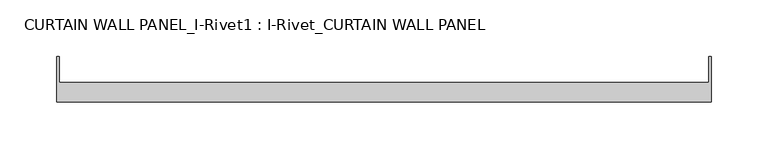
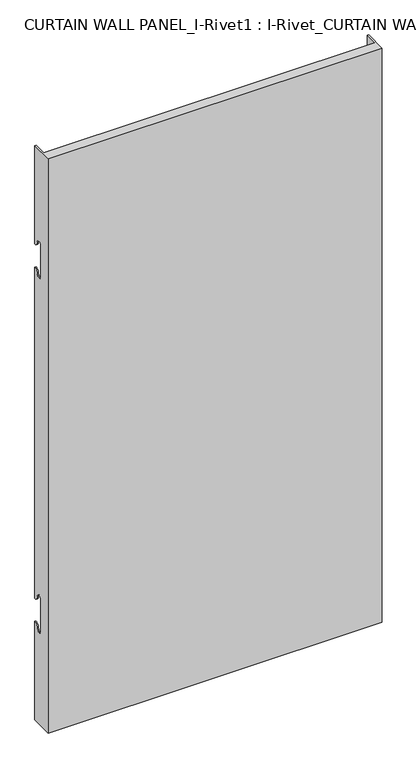
"""IFC4 building model written with IfcOpenShell, lengths in millimetres: plate geometry, CURTAIN WALL PANEL_I-Rivet1 : I-Rivet_CURTAIN WALL PANEL."""

from ifc_helpers import new_model, si_unit, frame, origin, place, context, project, spatial, polyline, circle_curve, source, transform, mapped, element, save
from ifc_brep_helpers import plane_surface, cylinder_surface, revolved_surface, advanced_brep


def curtain_wall_panel_i_rivet1_i_rivet_curtain_wall_panel_d8e408d1(model_context):
    return source(origin(), model_context, "Body", "AdvancedBrep", [
        advanced_brep(
        [(-287.5, -85.0, 1045.0), (287.5, -85.0, 1045.0), (287.5, -45.3384103, 1045.0), (285.5, -45.3384103, 1045.0), (285.5, -68.0, 1045.0), (-285.5, -68.0, 1045.0), (-285.5, -45.3384103, 1045.0), (-287.5, -45.3384103, 1045.0), (-287.5, -85.0, 0.0), (-287.5, -45.3384103, 0.0), (-285.5, -45.3384103, 0.0), (-285.5, -68.0, 0.0), (285.5, -68.0, 0.0), (285.5, -45.3384103, 0.0), (287.5, -45.3384103, 0.0), (287.5, -85.0, 0.0), (-287.5, -45.3384103, 866.0), (-287.5, -52.3384103, 873.0), (-287.5, -63.3384103, 873.0), (-287.5, -63.3384103, 817.0), (-287.5, -52.3384103, 817.0), (-287.5, -45.3384103, 824.0), (-287.5, -45.3384103, 221.0), (-287.5, -52.3384103, 228.0), (-287.5, -63.3384103, 228.0), (-287.5, -63.3384103, 172.0), (-287.5, -52.3384103, 172.0), (-287.5, -45.3384103, 179.0), (-285.5, -45.3384103, 179.0), (-285.5, -45.3384103, 824.0), (-285.5, -45.3384103, 221.0), (-285.5, -45.3384103, 866.0), (287.5, -45.3384103, 866.0), (285.5, -45.3384103, 866.0), (285.5, -45.3384103, 179.0), (287.5, -45.3384103, 179.0), (285.5, -45.3384103, 221.0), (285.5, -45.3384103, 824.0), (287.5, -45.3384103, 824.0), (287.5, -45.3384103, 221.0), (287.5, -52.3384103, 172.0), (287.5, -63.3384103, 172.0), (287.5, -63.3384103, 228.0), (287.5, -52.3384103, 228.0), (287.5, -52.3384103, 817.0), (287.5, -63.3384103, 817.0), (287.5, -63.3384103, 873.0), (287.5, -52.3384103, 873.0), (-285.5, -52.3384103, 172.0), (-285.5, -63.3384103, 172.0), (-285.5, -63.3384103, 228.0), (-285.5, -52.3384103, 228.0), (-285.5, -52.3384103, 817.0), (-285.5, -63.3384103, 817.0), (-285.5, -63.3384103, 873.0), (-285.5, -52.3384103, 873.0), (285.5, -52.3384103, 873.0), (285.5, -63.3384103, 873.0), (285.5, -63.3384103, 817.0), (285.5, -52.3384103, 817.0), (285.5, -52.3384103, 228.0), (285.5, -63.3384103, 228.0), (285.5, -63.3384103, 172.0), (285.5, -52.3384103, 172.0)],
        [
            (0, 1),
            (1, 2),
            (2, 3),
            (3, 4),
            (4, 5),
            (5, 6),
            (6, 7),
            (7, 0),
            (8, 9),
            (9, 10),
            (10, 11),
            (11, 12),
            (12, 13),
            (13, 14),
            (14, 15),
            (15, 8),
            (7, 16),
            (16, 17, circle_curve(frame((-287.5, -45.3384103, 873.0), z_axis=(-1.0, 0.0, 0.0), x_axis=(0.0, -1.0, 0.0)), 7.0)),
            (17, 18, circle_curve(frame((-287.5, -57.8384103, 873.0), z_axis=(1.0, 0.0, 0.0), x_axis=(0.0, -1.0, 0.0)), 5.5)),
            (18, 19),
            (19, 20, circle_curve(frame((-287.5, -57.8384103, 817.0), z_axis=(1.0, 0.0, 0.0), x_axis=(0.0, -1.0, 0.0)), 5.5)),
            (20, 21, circle_curve(frame((-287.5, -45.3384103, 817.0), z_axis=(-1.0, 0.0, 0.0), x_axis=(0.0, -1.0, 0.0)), 7.0)),
            (21, 22),
            (22, 23, circle_curve(frame((-287.5, -45.3384103, 228.0), z_axis=(-1.0, 0.0, 0.0), x_axis=(0.0, -1.0, 0.0)), 7.0)),
            (23, 24, circle_curve(frame((-287.5, -57.8384103, 228.0), z_axis=(1.0, 0.0, 0.0), x_axis=(0.0, -1.0, 0.0)), 5.5)),
            (24, 25),
            (25, 26, circle_curve(frame((-287.5, -57.8384103, 172.0), z_axis=(1.0, 0.0, 0.0), x_axis=(0.0, -1.0, 0.0)), 5.5)),
            (26, 27, circle_curve(frame((-287.5, -45.3384103, 172.0), z_axis=(-1.0, 0.0, 0.0), x_axis=(0.0, -1.0, 0.0)), 7.0)),
            (27, 9),
            (8, 0),
            (27, 28),
            (28, 10),
            (21, 29),
            (29, 30),
            (30, 22),
            (6, 31),
            (31, 16),
            (2, 32),
            (32, 33),
            (33, 3),
            (13, 34),
            (34, 35),
            (35, 14),
            (36, 37),
            (37, 38),
            (38, 39),
            (39, 36),
            (1, 15),
            (35, 40, circle_curve(frame((287.5, -45.3384103, 172.0), z_axis=(1.0, 0.0, 0.0), x_axis=(0.0, -1.0, 0.0)), 7.0)),
            (40, 41, circle_curve(frame((287.5, -57.8384103, 172.0), z_axis=(-1.0, 0.0, 0.0), x_axis=(0.0, -1.0, 0.0)), 5.5)),
            (41, 42),
            (42, 43, circle_curve(frame((287.5, -57.8384103, 228.0), z_axis=(-1.0, 0.0, 0.0), x_axis=(0.0, -1.0, 0.0)), 5.5)),
            (43, 39, circle_curve(frame((287.5, -45.3384103, 228.0), z_axis=(1.0, 0.0, 0.0), x_axis=(0.0, -1.0, 0.0)), 7.0)),
            (38, 44, circle_curve(frame((287.5, -45.3384103, 817.0), z_axis=(1.0, 0.0, 0.0), x_axis=(0.0, -1.0, 0.0)), 7.0)),
            (44, 45, circle_curve(frame((287.5, -57.8384103, 817.0), z_axis=(-1.0, 0.0, 0.0), x_axis=(0.0, -1.0, 0.0)), 5.5)),
            (45, 46),
            (46, 47, circle_curve(frame((287.5, -57.8384103, 873.0), z_axis=(-1.0, 0.0, 0.0), x_axis=(0.0, -1.0, 0.0)), 5.5)),
            (47, 32, circle_curve(frame((287.5, -45.3384103, 873.0), z_axis=(1.0, 0.0, 0.0), x_axis=(0.0, -1.0, 0.0)), 7.0)),
            (5, 11),
            (28, 48, circle_curve(frame((-285.5, -45.3384103, 172.0), z_axis=(1.0, 0.0, 0.0), x_axis=(0.0, -1.0, 0.0)), 7.0)),
            (48, 49, circle_curve(frame((-285.5, -57.8384103, 172.0), z_axis=(-1.0, 0.0, 0.0), x_axis=(0.0, -1.0, 0.0)), 5.5)),
            (49, 50),
            (50, 51, circle_curve(frame((-285.5, -57.8384103, 228.0), z_axis=(-1.0, 0.0, 0.0), x_axis=(0.0, -1.0, 0.0)), 5.5)),
            (51, 30, circle_curve(frame((-285.5, -45.3384103, 228.0), z_axis=(1.0, 0.0, 0.0), x_axis=(0.0, -1.0, 0.0)), 7.0)),
            (29, 52, circle_curve(frame((-285.5, -45.3384103, 817.0), z_axis=(1.0, 0.0, 0.0), x_axis=(0.0, -1.0, 0.0)), 7.0)),
            (52, 53, circle_curve(frame((-285.5, -57.8384103, 817.0), z_axis=(-1.0, 0.0, 0.0), x_axis=(0.0, -1.0, 0.0)), 5.5)),
            (53, 54),
            (54, 55, circle_curve(frame((-285.5, -57.8384103, 873.0), z_axis=(-1.0, 0.0, 0.0), x_axis=(0.0, -1.0, 0.0)), 5.5)),
            (55, 31, circle_curve(frame((-285.5, -45.3384103, 873.0), z_axis=(1.0, 0.0, 0.0), x_axis=(0.0, -1.0, 0.0)), 7.0)),
            (33, 56, circle_curve(frame((285.5, -45.3384103, 873.0), z_axis=(-1.0, 0.0, 0.0), x_axis=(0.0, -1.0, 0.0)), 7.0)),
            (56, 57, circle_curve(frame((285.5, -57.8384103, 873.0), z_axis=(1.0, 0.0, 0.0), x_axis=(0.0, -1.0, 0.0)), 5.5)),
            (57, 58),
            (58, 59, circle_curve(frame((285.5, -57.8384103, 817.0), z_axis=(1.0, 0.0, 0.0), x_axis=(0.0, -1.0, 0.0)), 5.5)),
            (59, 37, circle_curve(frame((285.5, -45.3384103, 817.0), z_axis=(-1.0, 0.0, 0.0), x_axis=(0.0, -1.0, 0.0)), 7.0)),
            (36, 60, circle_curve(frame((285.5, -45.3384103, 228.0), z_axis=(-1.0, 0.0, 0.0), x_axis=(0.0, -1.0, 0.0)), 7.0)),
            (60, 61, circle_curve(frame((285.5, -57.8384103, 228.0), z_axis=(1.0, 0.0, 0.0), x_axis=(0.0, -1.0, 0.0)), 5.5)),
            (61, 62),
            (62, 63, circle_curve(frame((285.5, -57.8384103, 172.0), z_axis=(1.0, 0.0, 0.0), x_axis=(0.0, -1.0, 0.0)), 5.5)),
            (63, 34, circle_curve(frame((285.5, -45.3384103, 172.0), z_axis=(-1.0, 0.0, 0.0), x_axis=(0.0, -1.0, 0.0)), 7.0)),
            (12, 4),
            (41, 62),
            (61, 42),
            (49, 25),
            (24, 50),
            (40, 63),
            (48, 26),
            (51, 23),
            (43, 60),
            (18, 54),
            (53, 19),
            (57, 46),
            (45, 58),
            (17, 55),
            (56, 47),
            (59, 44),
            (20, 52),
        ],
        [
            plane_surface(frame((-287.5, -45.3384103, 1045.0), z_axis=(0.0, 0.0, 1.0), x_axis=(0.0, 1.0, 0.0))),
            plane_surface(frame((-287.5, -45.3384103, 0.0), z_axis=(0.0, 0.0, -1.0), x_axis=(0.0, -1.0, 0.0))),
            plane_surface(frame((-287.5, -85.0, 1045.0), z_axis=(-1.0, 0.0, 0.0), x_axis=(0.0, 0.0, -1.0))),
            plane_surface(frame((-287.5, -45.3384103, 1045.0), z_axis=(0.0, 1.0, 0.0), x_axis=(0.0, 0.0, -1.0))),
            plane_surface(frame((285.5, -45.3384103, 1045.0), z_axis=(0.0, 1.0, 0.0), x_axis=(0.0, 0.0, -1.0))),
            plane_surface(frame((287.5, -45.3384103, 1045.0), z_axis=(1.0, 0.0, 0.0), x_axis=(0.0, 0.0, -1.0))),
            plane_surface(frame((287.5, -85.0, 1045.0), z_axis=(0.0, -1.0, 0.0), x_axis=(0.0, 0.0, -1.0))),
            plane_surface(frame((-285.5, -45.3384103, 1045.0), z_axis=(1.0, 0.0, 0.0), x_axis=(0.0, 0.0, -1.0))),
            plane_surface(frame((285.5, -68.0, 1045.0), z_axis=(-1.0, 0.0, 0.0), x_axis=(0.0, 0.0, -1.0))),
            plane_surface(frame((-286.5, -68.0, 1045.0), z_axis=(0.0, 1.0, 0.0), x_axis=(0.0, 0.0, -1.0))),
            plane_surface(frame((-287.5, -63.3384103, 228.0), z_axis=(0.0, 1.0, 0.0), x_axis=(1.0, 0.0, 0.0))),
            revolved_surface(polyline([(285.5, -63.3384103, 172.0), (287.5, -63.3384103, 172.0)]), (-287.5, -57.8384103, 172.0), (-1.0, 0.0, 0.0)),
            revolved_surface(polyline([(-287.5, -63.3384103, 172.0), (-285.5, -63.3384103, 172.0)]), (-287.5, -57.8384103, 172.0), (-1.0, 0.0, 0.0)),
            cylinder_surface(frame((-287.5, -45.3384103, 172.0), z_axis=(1.0, 0.0, 0.0), x_axis=(0.0, -1.0, 0.0)), 7.0),
            cylinder_surface(frame((-287.5, -45.3384103, 228.0), z_axis=(1.0, 0.0, 0.0), x_axis=(0.0, -1.0, 0.0)), 7.0),
            revolved_surface(polyline([(-287.5, -63.3384103, 228.0), (-285.5, -63.3384103, 228.0)]), (-287.5, -57.8384103, 228.0), (-1.0, 0.0, 0.0)),
            revolved_surface(polyline([(285.5, -63.3384103, 228.0), (287.5, -63.3384103, 228.0)]), (-287.5, -57.8384103, 228.0), (-1.0, 0.0, 0.0)),
            plane_surface(frame((287.5, -63.3384103, 817.0), z_axis=(0.0, 1.0, 0.0), x_axis=(-1.0, 0.0, 0.0))),
            revolved_surface(polyline([(-285.5, -63.3384103, 873.0), (-287.5, -63.3384103, 873.0)]), (287.5, -57.8384103, 873.0), (1.0, 0.0, 0.0)),
            revolved_surface(polyline([(287.5, -63.3384103, 873.0), (285.5, -63.3384103, 873.0)]), (287.5, -57.8384103, 873.0), (1.0, 0.0, 0.0)),
            cylinder_surface(frame((287.5, -45.3384103, 873.0), z_axis=(-1.0, 0.0, 0.0), x_axis=(0.0, -1.0, 0.0)), 7.0),
            cylinder_surface(frame((287.5, -45.3384103, 817.0), z_axis=(-1.0, 0.0, 0.0), x_axis=(0.0, -1.0, 0.0)), 7.0),
            revolved_surface(polyline([(287.5, -63.3384103, 817.0), (285.5, -63.3384103, 817.0)]), (287.5, -57.8384103, 817.0), (1.0, 0.0, 0.0)),
            revolved_surface(polyline([(-285.5, -63.3384103, 817.0), (-287.5, -63.3384103, 817.0)]), (287.5, -57.8384103, 817.0), (1.0, 0.0, 0.0)),
        ],
        [
            (0, [[1, 2, 3, 4, 5, 6, 7, 8]]),
            (1, [[9, 10, 11, 12, 13, 14, 15, 16]]),
            (2, [[17, 18, 19, 20, 21, 22, 23, 24, 25, 26, 27, 28, 29, -9, 30, -8]]),
            (3, [[-29, 31, 32, -10]]),
            (3, [[-23, 33, 34, 35]]),
            (3, [[36, 37, -17, -7]]),
            (4, [[38, 39, 40, -3]]),
            (4, [[41, 42, 43, -14]]),
            (4, [[44, 45, 46, 47]]),
            (5, [[48, -15, -43, 49, 50, 51, 52, 53, -46, 54, 55, 56, 57, 58, -38, -2]]),
            (6, [[-30, -16, -48, -1]]),
            (7, [[59, -11, -32, 60, 61, 62, 63, 64, -34, 65, 66, 67, 68, 69, -36, -6]]),
            (8, [[-40, 70, 71, 72, 73, 74, -44, 75, 76, 77, 78, 79, -41, -13, 80, -4]]),
            (9, [[-80, -12, -59, -5]]),
            (10, [[-51, 81, -77, 82]]),
            (10, [[-62, 83, -26, 84]]),
            (11, [[-50, 85, -78, -81]]),
            (12, [[-61, 86, -27, -83]]),
            (13, [[-49, -42, -79, -85]]),
            (13, [[-60, -31, -28, -86]]),
            (14, [[-24, -35, -64, 87]]),
            (14, [[-75, -47, -53, 88]]),
            (15, [[-25, -87, -63, -84]]),
            (16, [[-76, -88, -52, -82]]),
            (17, [[-20, 89, -67, 90]]),
            (17, [[-72, 91, -56, 92]]),
            (18, [[-19, 93, -68, -89]]),
            (19, [[-71, 94, -57, -91]]),
            (20, [[-18, -37, -69, -93]]),
            (20, [[-70, -39, -58, -94]]),
            (21, [[-54, -45, -74, 95]]),
            (21, [[-65, -33, -22, 96]]),
            (22, [[-55, -95, -73, -92]]),
            (23, [[-66, -96, -21, -90]]),
        ],
    ),
    ])


if __name__ == "__main__":
    model = new_model("IFC4")
    model_context = context("Model", 3, world=origin())
    ifc_project = project(units=[si_unit("LENGTHUNIT", "METRE", prefix="MILLI")], contexts=[model_context])
    site = spatial("IfcSite", under=ifc_project)
    building = spatial("IfcBuilding", under=site)
    placement = place(None, origin())
    curtain_wall_panel_i_rivet1_i_rivet_curtain_wall_panel_shape = curtain_wall_panel_i_rivet1_i_rivet_curtain_wall_panel_d8e408d1(model_context)
    element("IfcPlate", 1, ObjectType="CURTAIN WALL PANEL_I-Rivet1 : I-Rivet_CURTAIN WALL PANEL", at=placement, inside=building, context=model_context, shape_type="MappedRepresentation", body=[
        mapped(curtain_wall_panel_i_rivet1_i_rivet_curtain_wall_panel_shape, transform((0.0, 0.0, 0.0), x_axis=(1.0, 0.0, 0.0), y_axis=(0.0, 1.0, 0.0), z_axis=(0.0, 0.0, 1.0))),
    ])
    save(model, "model.ifc")
